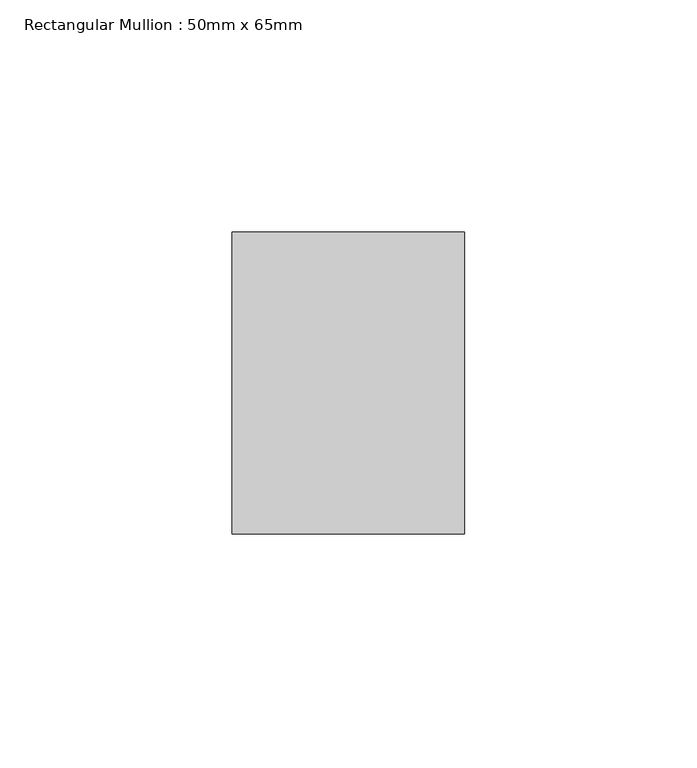
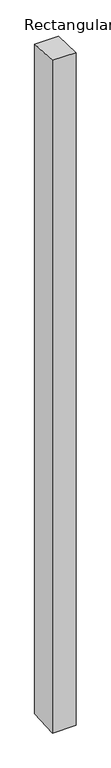
"""IFC4 building model written with IfcOpenShell, lengths in millimetres: member geometry, Rectangular Mullion : 50mm x 65mm."""

from ifc_helpers import new_model, si_unit, origin, place, context, project, spatial, faceted_brep, source, transform, mapped, element, save


def rectangular_mullion_50mm_x_65mm_cfd3bb80(model_context):
    return source(origin(), model_context, "Body", "Brep", [
        faceted_brep([(-25.0, 32.5, -1.4676812), (25.0, 32.5, -1.4676701), (25.0, 32.5, -1498.1018636), (-25.0, 32.5, -1498.1018492), (-25.0, -32.5, 1.4676701), (-25.0, -32.5, -1501.8975933), (25.0, -32.5, 1.4676812), (25.0, -32.5, -1501.8976076)], [[[0, 1, 2, 3]], [[4, 0, 3, 5]], [[6, 4, 5, 7]], [[1, 6, 7, 2]], [[1, 0, 4, 6]], [[2, 7, 5, 3]]]),
    ])


if __name__ == "__main__":
    model = new_model("IFC4")
    model_context = context("Model", 3, world=origin())
    ifc_project = project(units=[si_unit("LENGTHUNIT", "METRE", prefix="MILLI")], contexts=[model_context])
    site = spatial("IfcSite", under=ifc_project)
    building = spatial("IfcBuilding", under=site)
    placement = place(None, origin())
    rectangular_mullion_50mm_x_65mm_shape = rectangular_mullion_50mm_x_65mm_cfd3bb80(model_context)
    element("IfcMember", 1, ObjectType="Rectangular Mullion : 50mm x 65mm", at=placement, inside=building, context=model_context, shape_type="MappedRepresentation", body=[
        mapped(rectangular_mullion_50mm_x_65mm_shape, transform((0.0, 0.0, 0.0), x_axis=(1.0, 0.0, 0.0), y_axis=(0.0, 1.0, 0.0), z_axis=(0.0, 0.0, 1.0))),
    ])
    save(model, "model.ifc")
